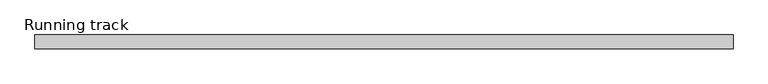
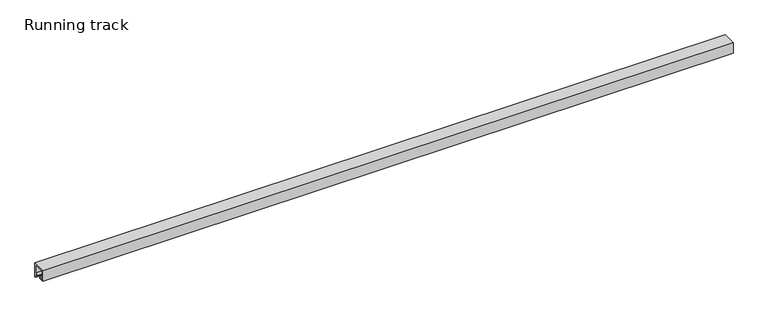
"""IFC4 building model written with IfcOpenShell, lengths in millimetres: proxy geometry, Running track."""

from ifc_helpers import new_model, si_unit, frame, origin, place, context, project, spatial, polyline, outline, extrude, source, transform, mapped, element, save


def running_track_65718a88(model_context):
    return source(origin(), model_context, "Body", "SweptSolid", [
        extrude(outline(polyline([(35.6163178, 1941.0), (35.6163178, 1907.75), (28.2663178, 1907.75), (28.2663178, 1900.05), (15.4663178, 1900.05), (15.4663178, 1941.0), (35.6163178, 1941.0)])), frame((0.0, -14.5, 0.0), z_axis=(0.0, 1.0, 0.0), x_axis=(0.0, 0.0, 1.0)), (0.0, 0.0, 1.0), 29.0),
        extrude(outline(polyline([(1941.0, -12.5), (1900.05, -12.5), (1900.05, 12.531559), (1941.0, 12.531559), (1941.0, -12.5)])), frame((0.0, 0.0, 13.4663178), z_axis=(0.0, 0.0, 1.0), x_axis=(1.0, 0.0, 0.0)), (0.0, 0.0, 1.0), 2.0),
        extrude(outline(polyline([(37.4288478, 1892.677645), (35.6163178, 1883.1605826), (37.4288478, 1869.7314459), (35.4107131, 1869.7314459), (33.5907948, 1883.2153231), (35.6163178, 1893.8507489), (35.6163178, 1941.0), (37.4288478, 1941.0), (37.4288478, 1892.677645)])), frame((0.0, -12.5, 0.0), z_axis=(0.0, 1.0, 0.0), x_axis=(0.0, 0.0, 1.0)), (0.0, 0.0, 1.0), 25.031559),
        extrude(outline(polyline([(-19.5, 41.0), (19.5, 41.0), (19.5, 0.0), (16.5, 0.0), (16.5, 10.5252087), (5.0, 10.5252087), (5.0, 13.4663178), (16.5, 13.4663178), (16.5, 38.0), (-16.5, 38.0), (-16.5, 13.4663178), (-5.0, 13.4663178), (-5.0, 10.4663178), (-16.5, 10.4663178), (-19.5, 10.4663178), (-19.5, 41.0)])), frame((0.0, 0.0, 0.0), z_axis=(1.0, 0.0, 0.0), x_axis=(0.0, 1.0, 0.0)), (0.0, 0.0, 1.0), 1950.0),
    ])


if __name__ == "__main__":
    model = new_model("IFC4")
    model_context = context("Model", 3, world=origin())
    ifc_project = project(units=[si_unit("LENGTHUNIT", "METRE", prefix="MILLI")], contexts=[model_context])
    site = spatial("IfcSite", under=ifc_project)
    building = spatial("IfcBuilding", under=site)
    placement = place(None, origin())
    running_track_shape = running_track_65718a88(model_context)
    element("IfcBuildingElementProxy", 1, Name="Running track", ObjectType="Running track", at=placement, inside=building, context=model_context, shape_type="MappedRepresentation", body=[
        mapped(running_track_shape, transform((0.0, 0.0, 0.0), x_axis=(1.0, 0.0, 0.0), y_axis=(0.0, 1.0, 0.0), z_axis=(0.0, 0.0, 1.0))),
    ])
    save(model, "model.ifc")
